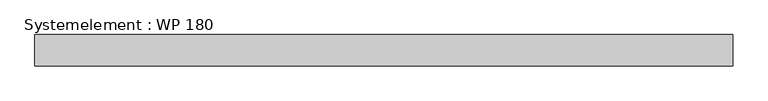
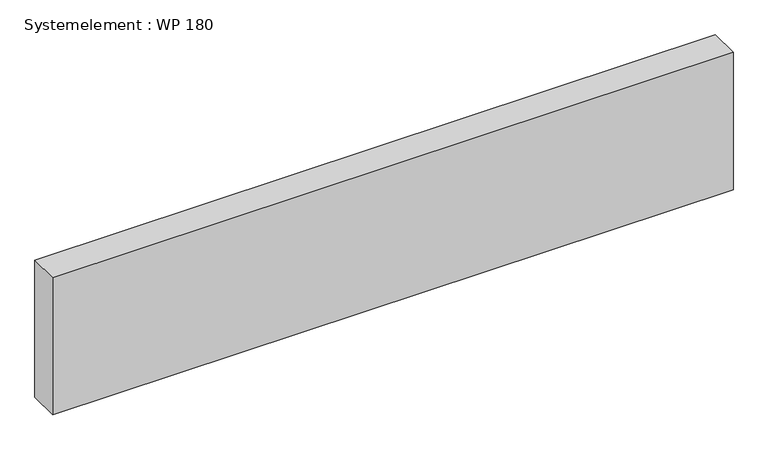
"""IFC4 building model written with IfcOpenShell, lengths in millimetres: plate geometry, Systemelement : WP 180."""

from ifc_helpers import new_model, si_unit, origin, origin_with_axes, place, context, project, spatial, polyline, outline, extrude, source, transform, mapped, element, save


def systemelement_wp_180_1b3d2660(model_context):
    return source(origin(), model_context, "Body", "SweptSolid", [
        extrude(outline(polyline([(2000.0, -180.0), (-2000.0, -180.0), (-2000.0, 0.0), (2000.0, 0.0), (2000.0, -180.0)])), origin_with_axes(), (0.0, 0.0, 1.0), 851.6147161),
    ])


if __name__ == "__main__":
    model = new_model("IFC4")
    model_context = context("Model", 3, world=origin())
    ifc_project = project(units=[si_unit("LENGTHUNIT", "METRE", prefix="MILLI")], contexts=[model_context])
    site = spatial("IfcSite", under=ifc_project)
    building = spatial("IfcBuilding", under=site)
    placement = place(None, origin())
    systemelement_wp_180_shape = systemelement_wp_180_1b3d2660(model_context)
    element("IfcPlate", 1, ObjectType="Systemelement : WP 180", at=placement, inside=building, context=model_context, shape_type="MappedRepresentation", body=[
        mapped(systemelement_wp_180_shape, transform((0.0, 0.0, 0.0), x_axis=(1.0, 0.0, 0.0), y_axis=(0.0, 1.0, 0.0), z_axis=(0.0, 0.0, 1.0))),
    ])
    save(model, "model.ifc")
